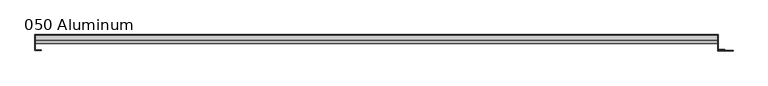
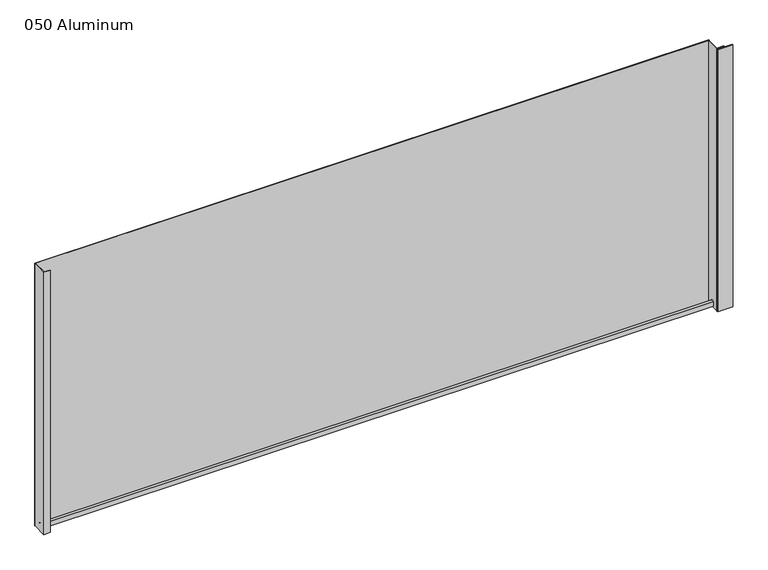
"""IFC4 building model written with IfcOpenShell, lengths in millimetres: plate geometry, 050 Aluminum."""

from ifc_helpers import new_model, si_unit, point, frame, frame_2d, origin, origin_with_axes, place, context, project, spatial, polyline, circle_curve, trimmed, segment, composite_curve, outline, extrude, source, transform, mapped, element, save


def plate_050_aluminum_62bdca73(model_context):
    return source(origin(), model_context, "Body", "SweptSolid", [
        extrude(outline(polyline([(-760.8622916, 2.5660257), (-747.971791, 2.5660257), (-747.971791, 1.2699999), (-762.1322915, 1.2699999), (-762.1322915, 34.7980001), (-760.8622916, 34.7980001), (-760.8622916, 2.5660257)])), origin_with_axes(), (0.0, 0.0, 1.0), 621.03),
        extrude(outline(composite_curve([segment(trimmed(circle_curve(frame_2d((19.8514743, 13.124237)), 3.175), [point((16.6765477, 13.1458337))], [point((23.0264743, 13.124237))], False, "CARTESIAN"), True, "CONTINUOUS"), segment(polyline([(23.0264743, 13.124237), (23.0264743, 1.2693678), (34.7980002, 1.2693678), (34.7980002, 0.0), (21.7564743, 0.0), (21.7564743, 13.124237)]), True, "CONTINUOUS"), segment(trimmed(circle_curve(frame_2d((19.8514743, 13.124237)), 1.905), [point((21.7564743, 13.124237))], [point((17.9464915, 13.1323356))], True, "CARTESIAN"), True, "CONTINUOUS"), segment(polyline([(17.9464915, 13.1323356), (17.9464915, 2.786437), (16.6765477, 2.786437), (16.6765477, 13.1458337)]), True, "CONTINUOUS")], self_intersect=False)), frame((-760.8622916, 0.0, 0.0), z_axis=(1.0, 0.0, 0.0), x_axis=(0.0, 1.0, 0.0)), (0.0, 0.0, 1.0), 1509.0245832),
        extrude(outline(polyline([(-762.1322916, 36.068), (749.4322916, 36.068), (749.4322916, 34.7980001), (-762.1322916, 34.7980001), (-762.1322916, 36.068)])), origin_with_axes(), (0.0, 0.0, 1.0), 622.3),
        extrude(outline(polyline([(749.4322916, 1.2699999), (781.9443772, 1.2699999), (781.9443772, 0.0), (748.1622917, 0.0), (748.1622917, 34.7980002), (749.4322916, 34.7980002), (749.4322916, 1.2699999)])), origin_with_axes(), (0.0, 0.0, 1.0), 621.03),
        extrude(outline(polyline([(748.1622916, 3.3274743), (763.9102915, 3.3274743), (763.9102915, 2.0574743), (748.1622916, 2.0574743), (748.1622916, 3.3274743)])), origin_with_axes(), (0.0, 0.0, 1.0), 622.3),
    ])


if __name__ == "__main__":
    model = new_model("IFC4")
    model_context = context("Model", 3, world=origin())
    ifc_project = project(units=[si_unit("LENGTHUNIT", "METRE", prefix="MILLI")], contexts=[model_context])
    site = spatial("IfcSite", under=ifc_project)
    building = spatial("IfcBuilding", under=site)
    placement = place(None, origin())
    plate_050_aluminum_shape = plate_050_aluminum_62bdca73(model_context)
    element("IfcPlate", 1, ObjectType="050 Aluminum", at=placement, inside=building, context=model_context, shape_type="MappedRepresentation", body=[
        mapped(plate_050_aluminum_shape, transform((0.0, 0.0, 0.0), x_axis=(1.0, 0.0, 0.0), y_axis=(0.0, 1.0, 0.0), z_axis=(0.0, 0.0, 1.0))),
    ])
    save(model, "model.ifc")
